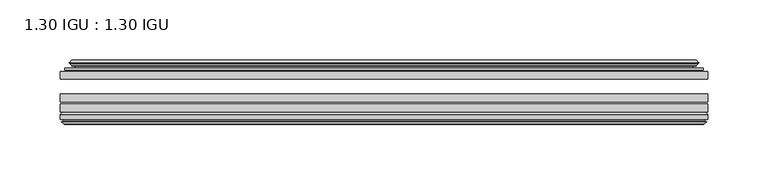
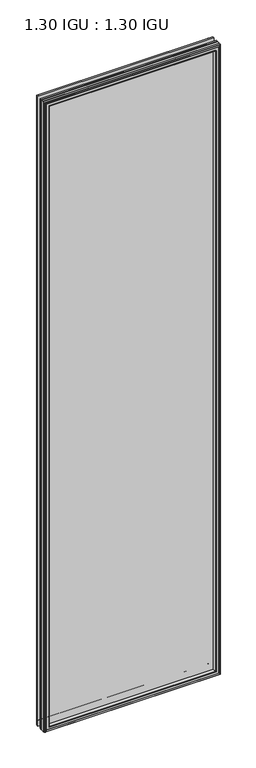
"""IFC4 building model written with IfcOpenShell, lengths in millimetres: plate geometry, 1.30 IGU : 1.30 IGU."""

from ifc_helpers import new_model, si_unit, frame, origin, place, context, project, spatial, polyline, ellipse_curve, outline, extrude, faceted_brep, source, transform, mapped, element, save
from ifc_brep_helpers import plane_surface, cylinder_surface, revolved_surface, advanced_brep


def plate_1_30_igu_1_30_igu_93392609(model_context):
    return source(origin(), model_context, "Body", "SolidModel", [
        extrude(outline(polyline([(268.2046782, -44.92625), (268.2046782, -51.27625), (-268.271625, -51.27625), (-268.271625, -44.92625), (268.2046782, -44.92625)])), frame((0.0, 0.0, -14.2875), z_axis=(0.0, 0.0, 1.0), x_axis=(1.0, 0.0, 0.0)), (0.0, 0.0, 1.0), 2025.65),
        extrude(outline(polyline([(-268.271625, -78.58125), (-268.271625, -72.23125), (268.2046782, -72.23125), (268.2046782, -78.58125), (-268.271625, -78.58125)])), frame((0.0, 0.0, -14.2875), z_axis=(0.0, 0.0, 1.0), x_axis=(1.0, 0.0, 0.0)), (0.0, 0.0, 1.0), 2025.65),
        extrude(outline(polyline([(-268.271625, -70.32625), (-268.271625, -63.97625), (268.2046782, -63.97625), (268.2046782, -70.32625), (-268.271625, -70.32625)])), frame((0.0, 0.0, -14.2875), z_axis=(0.0, 0.0, 1.0), x_axis=(1.0, 0.0, 0.0)), (0.0, 0.0, 1.0), 2025.65),
        advanced_brep(
        [(-249.9364152, -43.8351483, 1993.0272902), (-250.3782254, -44.92625, 1993.4691004), (-250.3782254, -44.92625, 3.6058996), (-249.9364152, -43.8351483, 4.0477098), (-253.984125, -36.11245, 1997.075), (-253.984125, -36.11245, 0.0), (-259.1700359, -37.2935491, 2002.2609109), (-259.1700359, -37.2935491, -5.1859109), (-258.8404606, -36.4664324, 2001.9313356), (-258.8404606, -36.4664324, -4.8563356), (-258.8404606, -35.6521812, 2001.9313356), (-258.8404606, -35.6521812, -4.8563356), (-260.6567361, -37.610817, 2003.7476111), (-260.6567361, -37.610817, -6.6726111), (-260.6567361, -38.3239429, 2003.7476111), (-260.6567361, -38.3239429, -6.6726111), (-258.8404606, -40.2727974, 2001.9313356), (-258.8404606, -40.2727974, -4.8563356), (-258.8404606, -39.4683275, 2001.9313356), (-258.8404606, -39.4683275, -4.8563356), (-259.1623751, -38.6604367, 2002.2532501), (-259.1623751, -38.6604367, -5.1782501), (-256.6385629, -38.502045, 1999.7294379), (-256.6385629, -38.502045, -2.6544379), (-255.6127467, -39.1897544, 1998.7036217), (-255.6127467, -39.1897544, -1.6286217), (-255.7311538, -40.5842231, 1998.8220288), (-255.7311538, -40.5842231, -1.7470288), (-256.3328998, -42.08145, 1999.4237748), (-256.3328998, -42.08145, -2.3487748), (-264.2586803, -43.9898729, 2007.3495553), (-263.7730495, -42.08145, 2006.8639245), (-263.7730495, -42.08145, -9.7889245), (-264.2586803, -43.9898729, -10.2745553), (-262.5379405, -44.92625, 2005.6288155), (-262.5379405, -44.92625, -8.5538155), (250.3782254, -44.92625, 3.6058996), (249.9364152, -43.8351483, 4.0477098), (253.984125, -36.11245, 0.0), (259.1700359, -37.2935491, -5.1859109), (258.8404606, -36.4664324, -4.8563356), (258.8404606, -35.6521812, -4.8563356), (260.6567361, -37.610817, -6.6726111), (260.6567361, -38.3239429, -6.6726111), (258.8404606, -40.2727974, -4.8563356), (258.8404606, -39.4683275, -4.8563356), (259.1623751, -38.6604367, -5.1782501), (256.6385629, -38.502045, -2.6544379), (255.6127467, -39.1897544, -1.6286217), (255.7311538, -40.5842231, -1.7470288), (256.3328998, -42.08145, -2.3487748), (263.7730495, -42.08145, -9.7889245), (264.2586803, -43.9898729, -10.2745553), (262.5379405, -44.92625, -8.5538155), (250.3782254, -44.92625, 1993.4691004), (249.9364152, -43.8351483, 1993.0272902), (253.984125, -36.11245, 1997.075), (259.1700359, -37.2935491, 2002.2609109), (258.8404606, -36.4664324, 2001.9313356), (258.8404606, -35.6521812, 2001.9313356), (260.6567361, -37.610817, 2003.7476111), (260.6567361, -38.3239429, 2003.7476111), (258.8404606, -40.2727974, 2001.9313356), (258.8404606, -39.4683275, 2001.9313356), (259.1623751, -38.6604367, 2002.2532501), (256.6385629, -38.502045, 1999.7294379), (255.6127467, -39.1897544, 1998.7036217), (255.7311538, -40.5842231, 1998.8220288), (256.3328998, -42.08145, 1999.4237748), (263.7730495, -42.08145, 2006.8639245), (264.2586803, -43.9898729, 2007.3495553), (262.5379405, -44.92625, 2005.6288155)],
        [
            (0, 1, ellipse_curve(frame((-250.3782254, -44.29125, 1993.4691004), z_axis=(-0.7071067811865475, 0.0, -0.7071067811865475), x_axis=(-0.7071067811865474, 0.0, 0.7071067811865476)), 0.8980256, 0.635)),
            (1, 2),
            (2, 3, ellipse_curve(frame((-250.3782254, -44.29125, 3.6058996), z_axis=(-0.7071067811865475, 0.0, 0.7071067811865475), x_axis=(0.7071067811865474, 0.0, 0.7071067811865476)), 0.8980256, 0.635)),
            (3, 0),
            (4, 0, ellipse_curve(frame((-240.2513304, -33.8367745, 1983.3422054), z_axis=(0.7071067811865475, 0.0, 0.7071067811865475), x_axis=(0.7071067811865474, 0.0, -0.7071067811865476)), 19.6859517, 13.9200699)),
            (3, 5, ellipse_curve(frame((-240.2513304, -33.8367745, 13.7327946), z_axis=(0.7071067811865475, 0.0, -0.7071067811865475), x_axis=(-0.7071067811865474, 0.0, -0.7071067811865476)), 19.6859517, 13.9200699)),
            (5, 4),
            (6, 4),
            (5, 7),
            (7, 6),
            (8, 6),
            (7, 9),
            (9, 8),
            (10, 8),
            (9, 11),
            (11, 10),
            (12, 10),
            (11, 13),
            (13, 12),
            (14, 12, ellipse_curve(frame((-260.2948979, -37.96738, 2003.3857729), z_axis=(-0.7071067811865475, 0.0, -0.7071067811865475), x_axis=(-0.7071067811865474, 0.0, 0.7071067811865476)), 0.7184205, 0.508)),
            (13, 15, ellipse_curve(frame((-260.2948979, -37.96738, -6.3107729), z_axis=(-0.7071067811865475, 0.0, 0.7071067811865475), x_axis=(0.7071067811865474, 0.0, 0.7071067811865476)), 0.7184205, 0.508)),
            (15, 14),
            (16, 14),
            (15, 17),
            (17, 16),
            (18, 16),
            (17, 19),
            (19, 18),
            (20, 18),
            (19, 21),
            (21, 20),
            (22, 20),
            (21, 23),
            (23, 22),
            (24, 22, ellipse_curve(frame((-256.574925, -39.51605, 1999.6658), z_axis=(0.7071067811865475, 0.0, 0.7071067811865475), x_axis=(0.7071067811865474, 0.0, -0.7071067811865476)), 1.436841, 1.016)),
            (23, 25, ellipse_curve(frame((-256.574925, -39.51605, -2.5908), z_axis=(0.7071067811865475, 0.0, -0.7071067811865475), x_axis=(-0.7071067811865474, 0.0, -0.7071067811865476)), 1.436841, 1.016)),
            (25, 24),
            (26, 24, ellipse_curve(frame((-257.946525, -39.69385, 2001.0374), z_axis=(0.7071067811865475, 0.0, 0.7071067811865475), x_axis=(0.7071067811865474, 0.0, -0.7071067811865476)), 3.3765763, 2.3876)),
            (25, 27, ellipse_curve(frame((-257.946525, -39.69385, -3.9624), z_axis=(0.7071067811865475, 0.0, -0.7071067811865475), x_axis=(-0.7071067811865474, 0.0, -0.7071067811865476)), 3.3765763, 2.3876)),
            (27, 26),
            (28, 26),
            (27, 29),
            (29, 28),
            (30, 31, ellipse_curve(frame((-263.7730495, -43.09745, 2006.8639245), z_axis=(-0.7071067811865475, 0.0, -0.7071067811865475), x_axis=(-0.7071067811865474, 0.0, 0.7071067811865476)), 1.436841, 1.016)),
            (31, 32),
            (32, 33, ellipse_curve(frame((-263.7730495, -43.09745, -9.7889245), z_axis=(-0.7071067811865475, 0.0, 0.7071067811865475), x_axis=(0.7071067811865474, 0.0, 0.7071067811865476)), 1.436841, 1.016)),
            (33, 30),
            (34, 30),
            (33, 35),
            (35, 34),
            (2, 36),
            (36, 37, ellipse_curve(frame((250.3782254, -44.29125, 3.6058996), z_axis=(-0.7071067811865475, 0.0, -0.7071067811865475), x_axis=(-0.7071067811865476, 0.0, 0.7071067811865474)), 0.8980256, 0.635)),
            (37, 3),
            (37, 38, ellipse_curve(frame((240.2513304, -33.8367745, 13.7327946), z_axis=(0.7071067811865475, 0.0, 0.7071067811865475), x_axis=(0.7071067811865476, 0.0, -0.7071067811865474)), 19.6859517, 13.9200699)),
            (38, 5),
            (38, 39),
            (39, 7),
            (39, 40),
            (40, 9),
            (40, 41),
            (41, 11),
            (41, 42),
            (42, 13),
            (42, 43, ellipse_curve(frame((260.2948979, -37.96738, -6.3107729), z_axis=(-0.7071067811865475, 0.0, -0.7071067811865475), x_axis=(-0.7071067811865476, 0.0, 0.7071067811865474)), 0.7184205, 0.508)),
            (43, 15),
            (43, 44),
            (44, 17),
            (44, 45),
            (45, 19),
            (45, 46),
            (46, 21),
            (46, 47),
            (47, 23),
            (47, 48, ellipse_curve(frame((256.574925, -39.51605, -2.5908), z_axis=(0.7071067811865475, 0.0, 0.7071067811865475), x_axis=(0.7071067811865476, 0.0, -0.7071067811865474)), 1.436841, 1.016)),
            (48, 25),
            (48, 49, ellipse_curve(frame((257.946525, -39.69385, -3.9624), z_axis=(0.7071067811865475, 0.0, 0.7071067811865475), x_axis=(0.7071067811865476, 0.0, -0.7071067811865474)), 3.3765763, 2.3876)),
            (49, 27),
            (49, 50),
            (50, 29),
            (32, 51),
            (51, 52, ellipse_curve(frame((263.7730495, -43.09745, -9.7889245), z_axis=(-0.7071067811865475, 0.0, -0.7071067811865475), x_axis=(-0.7071067811865476, 0.0, 0.7071067811865474)), 1.436841, 1.016)),
            (52, 33),
            (52, 53),
            (53, 35),
            (36, 54),
            (54, 55, ellipse_curve(frame((250.3782254, -44.29125, 1993.4691004), z_axis=(0.7071067811865475, 0.0, -0.7071067811865475), x_axis=(-0.7071067811865474, 0.0, -0.7071067811865476)), 0.8980256, 0.635)),
            (55, 37),
            (55, 56, ellipse_curve(frame((240.2513304, -33.8367745, 1983.3422054), z_axis=(-0.7071067811865475, 0.0, 0.7071067811865475), x_axis=(0.7071067811865474, 0.0, 0.7071067811865476)), 19.6859517, 13.9200699)),
            (56, 38),
            (56, 57),
            (57, 39),
            (57, 58),
            (58, 40),
            (58, 59),
            (59, 41),
            (59, 60),
            (60, 42),
            (60, 61, ellipse_curve(frame((260.2948979, -37.96738, 2003.3857729), z_axis=(0.7071067811865475, 0.0, -0.7071067811865475), x_axis=(-0.7071067811865474, 0.0, -0.7071067811865476)), 0.7184205, 0.508)),
            (61, 43),
            (61, 62),
            (62, 44),
            (62, 63),
            (63, 45),
            (63, 64),
            (64, 46),
            (64, 65),
            (65, 47),
            (65, 66, ellipse_curve(frame((256.574925, -39.51605, 1999.6658), z_axis=(-0.7071067811865475, 0.0, 0.7071067811865475), x_axis=(0.7071067811865474, 0.0, 0.7071067811865476)), 1.436841, 1.016)),
            (66, 48),
            (66, 67, ellipse_curve(frame((257.946525, -39.69385, 2001.0374), z_axis=(-0.7071067811865475, 0.0, 0.7071067811865475), x_axis=(0.7071067811865474, 0.0, 0.7071067811865476)), 3.3765763, 2.3876)),
            (67, 49),
            (67, 68),
            (68, 50),
            (51, 69),
            (69, 70, ellipse_curve(frame((263.7730495, -43.09745, 2006.8639245), z_axis=(0.7071067811865475, 0.0, -0.7071067811865475), x_axis=(-0.7071067811865474, 0.0, -0.7071067811865476)), 1.436841, 1.016)),
            (70, 52),
            (70, 71),
            (71, 53),
            (54, 1),
            (0, 55),
            (4, 56),
            (6, 57),
            (8, 58),
            (10, 59),
            (12, 60),
            (14, 61),
            (16, 62),
            (18, 63),
            (20, 64),
            (22, 65),
            (24, 66),
            (26, 67),
            (28, 68),
            (31, 69),
            (30, 70),
            (34, 71),
        ],
        [
            cylinder_surface(frame((-250.3782254, -44.29125, 2028.825), z_axis=(0.0, 0.0, 1.0), x_axis=(-1.0, 0.0, 0.0)), 0.635),
            revolved_surface(polyline([(-254.1714003, -33.8367745, -0.18727534118079348), (-254.1714003, -33.8367745, 1997.2622753411808)]), (-240.2513304, -33.8367745, 2028.825), (0.0, 0.0, -1.0)),
            plane_surface(frame((-253.984125, -36.11245, 1997.075), z_axis=(-0.22206498442778655, 0.975031867525922, 0.0), x_axis=(0.0, 0.0, -1.0))),
            plane_surface(frame((-259.1700359, -37.2935491, 2002.2609109), z_axis=(0.9289682685629922, -0.37015936568331825, 0.0), x_axis=(0.0, 0.0, -1.0))),
            plane_surface(frame((-258.8404606, -36.4664324, 2001.9313356), z_axis=(1.0, 0.0, 0.0), x_axis=(0.0, 0.0, -1.0))),
            plane_surface(frame((-258.8404606, -35.6521812, 2001.9313356), z_axis=(-0.7332521292723956, 0.6799568478348448, 0.0), x_axis=(0.0, 0.0, -1.0))),
            cylinder_surface(frame((-260.2948979, -37.96738, 2028.825), z_axis=(0.0, 0.0, 1.0), x_axis=(-1.0, 0.0, 0.0)), 0.508),
            plane_surface(frame((-260.6567361, -38.3239429, 2003.7476111), z_axis=(-0.7315522693036389, -0.6817853601220082, 0.0), x_axis=(0.0, 0.0, -1.0))),
            plane_surface(frame((-258.8404606, -40.2727974, 2001.9313356), z_axis=(1.0, 0.0, 0.0), x_axis=(0.0, 0.0, -1.0))),
            plane_surface(frame((-258.8404606, -39.4683275, 2001.9313356), z_axis=(0.9289682685631103, 0.3701593656830216, 0.0), x_axis=(0.0, 0.0, -1.0))),
            plane_surface(frame((-259.1623751, -38.6604367, 2002.2532501), z_axis=(0.06263570119321643, -0.9980364567169048, 0.0), x_axis=(0.0, 0.0, -1.0))),
            revolved_surface(polyline([(-257.590925, -39.51605, -3.6068000145867245), (-257.590925, -39.51605, 2000.6818000145868)]), (-256.574925, -39.51605, 2028.825), (0.0, 0.0, -1.0)),
            revolved_surface(polyline([(-260.33412500000003, -39.69385, -6.3499999989237494), (-260.33412500000003, -39.69385, 2003.4249999989238)]), (-257.946525, -39.69385, 2028.825), (0.0, 0.0, -1.0)),
            plane_surface(frame((-255.7311538, -40.5842231, 1998.8220288), z_axis=(-0.9278652925428912, 0.372915538553028, 0.0), x_axis=(0.0, 0.0, -1.0))),
            cylinder_surface(frame((-263.7730495, -43.09745, 2028.825), z_axis=(0.0, 0.0, 1.0), x_axis=(-1.0, 0.0, 0.0)), 1.016),
            plane_surface(frame((-264.2586803, -43.9898729, 2007.3495553), z_axis=(-0.477983117370979, -0.8783690223979446, 0.0), x_axis=(0.0, 0.0, -1.0))),
            cylinder_surface(frame((-285.734125, -44.29125, 3.6058996), z_axis=(-1.0, 0.0, 0.0), x_axis=(0.0, 0.0, -1.0)), 0.635),
            revolved_surface(polyline([(254.1714003411808, -33.8367745, -0.1872752999999996), (-254.17140034118086, -33.8367745, -0.1872752999999996)]), (-285.734125, -33.8367745, 13.7327946), (1.0, 0.0, 0.0)),
            plane_surface(frame((-253.984125, -36.11245, 0.0), z_axis=(0.0, 0.9750318675259212, -0.2220649844277897), x_axis=(1.0, 0.0, 0.0))),
            plane_surface(frame((-259.1700359, -37.2935491, -5.1859109), z_axis=(0.0, -0.3701593656833152, 0.9289682685629934), x_axis=(1.0, 0.0, 0.0))),
            plane_surface(frame((-258.8404606, -36.4664324, -4.8563356), z_axis=(0.0, 0.0, 1.0), x_axis=(1.0, 0.0, 0.0))),
            plane_surface(frame((-258.8404606, -35.6521812, -4.8563356), z_axis=(0.0, 0.6799568478348423, -0.7332521292723978), x_axis=(1.0, 0.0, 0.0))),
            cylinder_surface(frame((-285.734125, -37.96738, -6.3107729), z_axis=(-1.0, 0.0, 0.0), x_axis=(0.0, 0.0, -1.0)), 0.508),
            plane_surface(frame((-260.6567361, -38.3239429, -6.6726111), z_axis=(0.0, -0.6817853601220105, -0.7315522693036367), x_axis=(1.0, 0.0, 0.0))),
            plane_surface(frame((-258.8404606, -40.2727974, -4.8563356), z_axis=(0.0, 0.0, 1.0), x_axis=(1.0, 0.0, 0.0))),
            plane_surface(frame((-258.8404606, -39.4683275, -4.8563356), z_axis=(0.0, 0.37015936568302465, 0.9289682685631091), x_axis=(1.0, 0.0, 0.0))),
            plane_surface(frame((-259.1623751, -38.6604367, -5.1782501), z_axis=(0.0, -0.9980364567169046, 0.06263570119321968), x_axis=(1.0, 0.0, 0.0))),
            revolved_surface(polyline([(257.59092501458696, -39.51605, -3.6068000000000002), (-257.59092501458684, -39.51605, -3.6068000000000002)]), (-285.734125, -39.51605, -2.5908), (1.0, 0.0, 0.0)),
            revolved_surface(polyline([(260.33412499892376, -39.69385, -6.35), (-260.3341249989238, -39.69385, -6.35)]), (-285.734125, -39.69385, -3.9624), (1.0, 0.0, 0.0)),
            plane_surface(frame((-255.7311538, -40.5842231, -1.7470288), z_axis=(0.0, 0.372915538553025, -0.9278652925428924), x_axis=(1.0, 0.0, 0.0))),
            cylinder_surface(frame((-285.734125, -43.09745, -9.7889245), z_axis=(-1.0, 0.0, 0.0), x_axis=(0.0, 0.0, -1.0)), 1.016),
            plane_surface(frame((-264.2586803, -43.9898729, -10.2745553), z_axis=(0.0, -0.8783690223979462, -0.47798311737097615), x_axis=(1.0, 0.0, 0.0))),
            cylinder_surface(frame((250.3782254, -44.29125, -31.75), z_axis=(0.0, 0.0, -1.0), x_axis=(1.0, 0.0, 0.0)), 0.635),
            revolved_surface(polyline([(254.1714003, -33.8367745, 1997.2622753411808), (254.1714003, -33.8367745, -0.1872753411808432)]), (240.2513304, -33.8367745, -31.75), (0.0, 0.0, 1.0)),
            plane_surface(frame((253.984125, -36.11245, 0.0), z_axis=(0.2220649844277929, 0.9750318675259205, 0.0), x_axis=(0.0, 0.0, 1.0))),
            plane_surface(frame((259.1700359, -37.2935491, -5.1859109), z_axis=(-0.9289682685629946, -0.37015936568331215, 0.0), x_axis=(0.0, 0.0, 1.0))),
            plane_surface(frame((258.8404606, -36.4664324, -4.8563356), z_axis=(-1.0, 0.0, 0.0), x_axis=(0.0, 0.0, 1.0))),
            plane_surface(frame((258.8404606, -35.6521812, -4.8563356), z_axis=(0.7332521292724, 0.6799568478348399, 0.0), x_axis=(0.0, 0.0, 1.0))),
            cylinder_surface(frame((260.2948979, -37.96738, -31.75), z_axis=(0.0, 0.0, -1.0), x_axis=(1.0, 0.0, 0.0)), 0.508),
            plane_surface(frame((260.6567361, -38.3239429, -6.6726111), z_axis=(0.7315522693036345, -0.6817853601220129, 0.0), x_axis=(0.0, 0.0, 1.0))),
            plane_surface(frame((258.8404606, -40.2727974, -4.8563356), z_axis=(-1.0, 0.0, 0.0), x_axis=(0.0, 0.0, 1.0))),
            plane_surface(frame((258.8404606, -39.4683275, -4.8563356), z_axis=(-0.9289682685631079, 0.3701593656830277, 0.0), x_axis=(0.0, 0.0, 1.0))),
            plane_surface(frame((259.1623751, -38.6604367, -5.1782501), z_axis=(-0.06263570119322293, -0.9980364567169043, 0.0), x_axis=(0.0, 0.0, 1.0))),
            revolved_surface(polyline([(257.590925, -39.51605, 2000.6818000145868), (257.590925, -39.51605, -3.606800014586863)]), (256.574925, -39.51605, -31.75), (0.0, 0.0, 1.0)),
            revolved_surface(polyline([(260.33412500000003, -39.69385, 2003.4249999989238), (260.33412500000003, -39.69385, -6.349999998923781)]), (257.946525, -39.69385, -31.75), (0.0, 0.0, 1.0)),
            plane_surface(frame((255.7311538, -40.5842231, -1.7470288), z_axis=(0.9278652925428936, 0.372915538553022, 0.0), x_axis=(0.0, 0.0, 1.0))),
            cylinder_surface(frame((263.7730495, -43.09745, -31.75), z_axis=(0.0, 0.0, -1.0), x_axis=(1.0, 0.0, 0.0)), 1.016),
            plane_surface(frame((264.2586803, -43.9898729, -10.2745553), z_axis=(0.47798311737097327, -0.8783690223979478, 0.0), x_axis=(0.0, 0.0, 1.0))),
            cylinder_surface(frame((285.734125, -44.29125, 1993.4691004), z_axis=(1.0, 0.0, 0.0), x_axis=(0.0, 0.0, 1.0)), 0.635),
            revolved_surface(polyline([(-254.1714003411808, -33.8367745, 1997.2622753), (254.17140034118086, -33.8367745, 1997.2622753)]), (285.734125, -33.8367745, 1983.3422054), (-1.0, 0.0, 0.0)),
            plane_surface(frame((253.984125, -36.11245, 1997.075), z_axis=(0.0, 0.9750318675259213, 0.22206498442778974), x_axis=(-1.0, 0.0, 0.0))),
            plane_surface(frame((259.1700359, -37.2935491, 2002.2609109), z_axis=(0.0, -0.3701593656833152, -0.9289682685629934), x_axis=(-1.0, 0.0, 0.0))),
            plane_surface(frame((258.8404606, -36.4664324, 2001.9313356), z_axis=(0.0, 0.0, -1.0), x_axis=(-1.0, 0.0, 0.0))),
            plane_surface(frame((258.8404606, -35.6521812, 2001.9313356), z_axis=(0.0, 0.6799568478348423, 0.7332521292723978), x_axis=(-1.0, 0.0, 0.0))),
            cylinder_surface(frame((285.734125, -37.96738, 2003.3857729), z_axis=(1.0, 0.0, 0.0), x_axis=(0.0, 0.0, 1.0)), 0.508),
            plane_surface(frame((260.6567361, -38.3239429, 2003.7476111), z_axis=(0.0, -0.6817853601220105, 0.7315522693036367), x_axis=(-1.0, 0.0, 0.0))),
            plane_surface(frame((258.8404606, -40.2727974, 2001.9313356), z_axis=(0.0, 0.0, -1.0), x_axis=(-1.0, 0.0, 0.0))),
            plane_surface(frame((258.8404606, -39.4683275, 2001.9313356), z_axis=(0.0, 0.37015936568302465, -0.9289682685631091), x_axis=(-1.0, 0.0, 0.0))),
            plane_surface(frame((259.1623751, -38.6604367, 2002.2532501), z_axis=(0.0, -0.9980364567169046, -0.06263570119321968), x_axis=(-1.0, 0.0, 0.0))),
            revolved_surface(polyline([(-257.59092501458696, -39.51605, 2000.6818), (257.59092501458684, -39.51605, 2000.6818)]), (285.734125, -39.51605, 1999.6658), (-1.0, 0.0, 0.0)),
            revolved_surface(polyline([(-260.33412499892376, -39.69385, 2003.425), (260.3341249989238, -39.69385, 2003.425)]), (285.734125, -39.69385, 2001.0374), (-1.0, 0.0, 0.0)),
            plane_surface(frame((255.7311538, -40.5842231, 1998.8220288), z_axis=(0.0, 0.372915538553025, 0.9278652925428924), x_axis=(-1.0, 0.0, 0.0))),
            plane_surface(frame((256.3328998, -42.08145, 1999.4237748), z_axis=(0.0, 1.0, 0.0), x_axis=(-1.0, 0.0, 0.0))),
            cylinder_surface(frame((285.734125, -43.09745, 2006.8639245), z_axis=(1.0, 0.0, 0.0), x_axis=(0.0, 0.0, 1.0)), 1.016),
            plane_surface(frame((264.2586803, -43.9898729, 2007.3495553), z_axis=(0.0, -0.8783690223979462, 0.47798311737097615), x_axis=(-1.0, 0.0, 0.0))),
            plane_surface(frame((262.5379405, -44.92625, 2005.6288155), z_axis=(0.0, -1.0, 0.0), x_axis=(-1.0, 0.0, 0.0))),
        ],
        [
            (0, [[1, 2, 3, 4]]),
            (1, [[5, -4, 6, 7]]),
            (2, [[8, -7, 9, 10]]),
            (3, [[11, -10, 12, 13]]),
            (4, [[14, -13, 15, 16]]),
            (5, [[17, -16, 18, 19]]),
            (6, [[20, -19, 21, 22]]),
            (7, [[23, -22, 24, 25]]),
            (8, [[26, -25, 27, 28]]),
            (9, [[29, -28, 30, 31]]),
            (10, [[32, -31, 33, 34]]),
            (11, [[35, -34, 36, 37]]),
            (12, [[38, -37, 39, 40]]),
            (13, [[41, -40, 42, 43]]),
            (14, [[44, 45, 46, 47]]),
            (15, [[48, -47, 49, 50]]),
            (16, [[-3, 51, 52, 53]]),
            (17, [[-6, -53, 54, 55]]),
            (18, [[-9, -55, 56, 57]]),
            (19, [[-12, -57, 58, 59]]),
            (20, [[-15, -59, 60, 61]]),
            (21, [[-18, -61, 62, 63]]),
            (22, [[-21, -63, 64, 65]]),
            (23, [[-24, -65, 66, 67]]),
            (24, [[-27, -67, 68, 69]]),
            (25, [[-30, -69, 70, 71]]),
            (26, [[-33, -71, 72, 73]]),
            (27, [[-36, -73, 74, 75]]),
            (28, [[-39, -75, 76, 77]]),
            (29, [[-42, -77, 78, 79]]),
            (30, [[-46, 80, 81, 82]]),
            (31, [[-49, -82, 83, 84]]),
            (32, [[-52, 85, 86, 87]]),
            (33, [[-54, -87, 88, 89]]),
            (34, [[-56, -89, 90, 91]]),
            (35, [[-58, -91, 92, 93]]),
            (36, [[-60, -93, 94, 95]]),
            (37, [[-62, -95, 96, 97]]),
            (38, [[-64, -97, 98, 99]]),
            (39, [[-66, -99, 100, 101]]),
            (40, [[-68, -101, 102, 103]]),
            (41, [[-70, -103, 104, 105]]),
            (42, [[-72, -105, 106, 107]]),
            (43, [[-74, -107, 108, 109]]),
            (44, [[-76, -109, 110, 111]]),
            (45, [[-78, -111, 112, 113]]),
            (46, [[-81, 114, 115, 116]]),
            (47, [[-83, -116, 117, 118]]),
            (48, [[-86, 119, -1, 120]]),
            (49, [[-88, -120, -5, 121]]),
            (50, [[-90, -121, -8, 122]]),
            (51, [[-92, -122, -11, 123]]),
            (52, [[-94, -123, -14, 124]]),
            (53, [[-96, -124, -17, 125]]),
            (54, [[-98, -125, -20, 126]]),
            (55, [[-100, -126, -23, 127]]),
            (56, [[-102, -127, -26, 128]]),
            (57, [[-104, -128, -29, 129]]),
            (58, [[-106, -129, -32, 130]]),
            (59, [[-108, -130, -35, 131]]),
            (60, [[-110, -131, -38, 132]]),
            (61, [[-112, -132, -41, 133]]),
            (62, [[134, -114, -80, -45], [-79, -113, -133, -43]]),
            (63, [[-115, -134, -44, 135]]),
            (64, [[-117, -135, -48, 136]]),
            (65, [[-84, -118, -136, -50], [-119, -85, -51, -2]]),
        ],
    ),
        faceted_brep([(-250.1299077, -78.58125, 1993.2207827), (-252.6962048, -87.47125, 1995.7870798), (-252.6962048, -87.47125, 1.2879202), (-250.1299077, -78.58125, 3.8542173), (-268.284325, -80.7883102, 2011.3752), (-266.0772648, -78.58125, 2009.1681398), (-266.0772648, -78.58125, -12.0931398), (-268.284325, -80.7883102, -14.3002), (-268.284325, -84.93125, 2011.3752), (-268.284325, -84.93125, -14.3002), (-265.8653025, -86.11489, 2008.9561775), (-266.7044932, -84.93125, 2009.7953682), (-266.7044932, -84.93125, -12.7203682), (-265.8653025, -86.11489, -11.8811775), (-265.668125, -87.4125884, 2008.759), (-265.668125, -87.4125884, -11.684), (-266.643785, -86.8828917, 2009.73466), (-266.643785, -86.8828917, -12.65966), (-265.109325, -88.6999663, 2008.2002), (-267.4364555, -86.8828917, 2010.5273305), (-267.4364555, -86.8828917, -13.4523305), (-265.109325, -88.6999663, -11.1252), (-262.7821945, -86.8828917, 2005.8730695), (-262.7821945, -86.8828917, -8.7980695), (-264.550525, -87.4125884, 2007.6414), (-263.574865, -86.8828917, 2006.66574), (-263.574865, -86.8828917, -9.59074), (-264.550525, -87.4125884, -10.5664), (-264.3533475, -86.11489, 2007.4442225), (-264.3533475, -86.11489, -10.3692225), (-263.483725, -84.93125, 2006.5746), (-263.483725, -84.93125, -9.4996), (-254.3354917, -87.47125, 1997.4263667), (-253.806325, -84.93125, 1996.8972), (-253.806325, -84.93125, 0.1778), (-254.3354917, -87.47125, -0.3513667), (252.6962048, -87.47125, 1.2879202), (250.1299077, -78.58125, 3.8542173), (266.0772648, -78.58125, -12.0931398), (268.284325, -80.7883102, -14.3002), (268.284325, -84.93125, -14.3002), (266.7044932, -84.93125, -12.7203682), (265.8653025, -86.11489, -11.8811775), (265.668125, -87.4125884, -11.684), (266.643785, -86.8828917, -12.65966), (267.4364555, -86.8828917, -13.4523305), (265.109325, -88.6999663, -11.1252), (262.7821945, -86.8828917, -8.7980695), (263.574865, -86.8828917, -9.59074), (264.550525, -87.4125884, -10.5664), (264.3533475, -86.11489, -10.3692225), (263.483725, -84.93125, -9.4996), (253.806325, -84.93125, 0.1778), (254.3354917, -87.47125, -0.3513667), (252.6962048, -87.47125, 1995.7870798), (250.1299077, -78.58125, 1993.2207827), (266.0772648, -78.58125, 2009.1681398), (268.284325, -80.7883102, 2011.3752), (268.284325, -84.93125, 2011.3752), (266.7044932, -84.93125, 2009.7953682), (265.8653025, -86.11489, 2008.9561775), (265.668125, -87.4125884, 2008.759), (266.643785, -86.8828917, 2009.73466), (267.4364555, -86.8828917, 2010.5273305), (265.109325, -88.6999663, 2008.2002), (262.7821945, -86.8828917, 2005.8730695), (263.574865, -86.8828917, 2006.66574), (264.550525, -87.4125884, 2007.6414), (264.3533475, -86.11489, 2007.4442225), (263.483725, -84.93125, 2006.5746), (253.806325, -84.93125, 1996.8972), (254.3354917, -87.47125, 1997.4263667)], [[[0, 1, 2, 3]], [[4, 5, 6, 7]], [[8, 4, 7, 9]], [[10, 11, 12, 13]], [[14, 10, 13, 15]], [[16, 14, 15, 17]], [[18, 19, 20, 21]], [[22, 18, 21, 23]], [[24, 25, 26, 27]], [[28, 24, 27, 29]], [[30, 28, 29, 31]], [[32, 33, 34, 35]], [[3, 2, 36, 37]], [[7, 6, 38, 39]], [[9, 7, 39, 40]], [[13, 12, 41, 42]], [[15, 13, 42, 43]], [[17, 15, 43, 44]], [[21, 20, 45, 46]], [[23, 21, 46, 47]], [[27, 26, 48, 49]], [[29, 27, 49, 50]], [[31, 29, 50, 51]], [[35, 34, 52, 53]], [[37, 36, 54, 55]], [[39, 38, 56, 57]], [[40, 39, 57, 58]], [[42, 41, 59, 60]], [[43, 42, 60, 61]], [[44, 43, 61, 62]], [[46, 45, 63, 64]], [[47, 46, 64, 65]], [[49, 48, 66, 67]], [[50, 49, 67, 68]], [[51, 50, 68, 69]], [[53, 52, 70, 71]], [[55, 54, 1, 0]], [[5, 56, 38, 6], [3, 37, 55, 0]], [[57, 56, 5, 4]], [[58, 57, 4, 8]], [[9, 40, 58, 8], [11, 59, 41, 12]], [[60, 59, 11, 10]], [[61, 60, 10, 14]], [[62, 61, 14, 16]], [[19, 63, 45, 20], [17, 44, 62, 16]], [[64, 63, 19, 18]], [[65, 64, 18, 22]], [[25, 66, 48, 26], [23, 47, 65, 22]], [[67, 66, 25, 24]], [[68, 67, 24, 28]], [[69, 68, 28, 30]], [[31, 51, 69, 30], [33, 70, 52, 34]], [[71, 70, 33, 32]], [[35, 53, 71, 32], [1, 54, 36, 2]]]),
    ])


if __name__ == "__main__":
    model = new_model("IFC4")
    model_context = context("Model", 3, world=origin())
    ifc_project = project(units=[si_unit("LENGTHUNIT", "METRE", prefix="MILLI")], contexts=[model_context])
    site = spatial("IfcSite", under=ifc_project)
    building = spatial("IfcBuilding", under=site)
    placement = place(None, origin())
    plate_1_30_igu_1_30_igu_shape = plate_1_30_igu_1_30_igu_93392609(model_context)
    element("IfcPlate", 1, ObjectType="1.30 IGU : 1.30 IGU", at=placement, inside=building, context=model_context, shape_type="MappedRepresentation", body=[
        mapped(plate_1_30_igu_1_30_igu_shape, transform((0.0, 0.0, 0.0), x_axis=(1.0, 0.0, 0.0), y_axis=(0.0, 1.0, 0.0), z_axis=(0.0, 0.0, 1.0))),
    ])
    save(model, "model.ifc")
